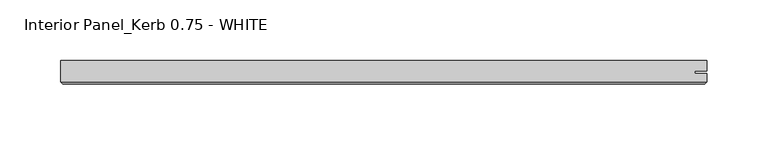
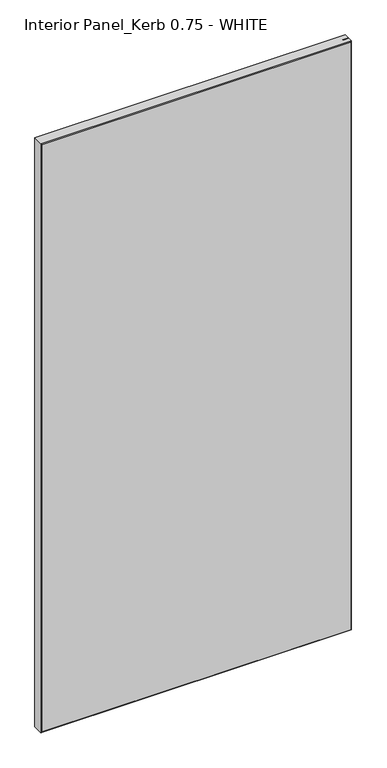
"""IFC4 building model written with IfcOpenShell, lengths in millimetres: proxy geometry, Interior Panel_Kerb 0.75 - WHITE."""

from ifc_helpers import new_model, si_unit, origin, place, context, project, spatial, faceted_brep, source, transform, mapped, element, save


def interior_panel_kerb_0_75_white_20ed19c5(model_context):
    return source(origin(), model_context, "Body", "Brep", [
        faceted_brep([(457.2, 3.175, 1063.625), (-73.025, 3.175, 1063.625), (-73.025, -14.2875, 1063.625), (457.2, -14.2875, 1063.625), (457.2, -7.4168, 1063.625), (447.3773437, -7.4168, 1063.625), (447.3773437, -5.2832, 1063.625), (457.2, -5.2832, 1063.625), (457.2, 3.175, 0.0), (457.2, -5.2832, 0.0), (447.3773437, -5.2832, 0.0), (447.3773437, -7.4168, 0.0), (457.2, -7.4168, 0.0), (457.2, -14.2875, 0.0), (-73.025, -14.2875, 0.0), (-73.025, 3.175, 0.0), (-71.4375, -15.875, 1062.0375), (-71.4375, -15.875, 1.5875), (455.6125, -15.875, 1.5875), (455.6125, -15.875, 1062.0375)], [[[0, 1, 2, 3, 4, 5, 6, 7]], [[8, 9, 10, 11, 12, 13, 14, 15]], [[1, 0, 8, 15]], [[2, 1, 15, 14]], [[16, 17, 18, 19]], [[4, 3, 13, 12]], [[2, 14, 17, 16]], [[13, 3, 19, 18]], [[3, 2, 16, 19]], [[14, 13, 18, 17]], [[5, 4, 12, 11]], [[6, 5, 11, 10]], [[7, 6, 10, 9]], [[0, 7, 9, 8]]]),
    ])


if __name__ == "__main__":
    model = new_model("IFC4")
    model_context = context("Model", 3, world=origin())
    ifc_project = project(units=[si_unit("LENGTHUNIT", "METRE", prefix="MILLI")], contexts=[model_context])
    site = spatial("IfcSite", under=ifc_project)
    building = spatial("IfcBuilding", under=site)
    placement = place(None, origin())
    interior_panel_kerb_0_75_white_shape = interior_panel_kerb_0_75_white_20ed19c5(model_context)
    element("IfcBuildingElementProxy", 1, Name="Interior Panel_Kerb 0.75 - WHITE", ObjectType="Interior Panel_Kerb 0.75 - WHITE", at=placement, inside=building, context=model_context, shape_type="MappedRepresentation", body=[
        mapped(interior_panel_kerb_0_75_white_shape, transform((0.0, 0.0, 0.0), x_axis=(1.0, 0.0, 0.0), y_axis=(0.0, 1.0, 0.0), z_axis=(0.0, 0.0, 1.0))),
    ])
    save(model, "model.ifc")
